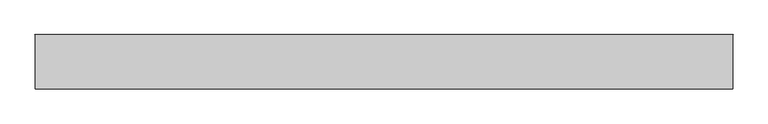
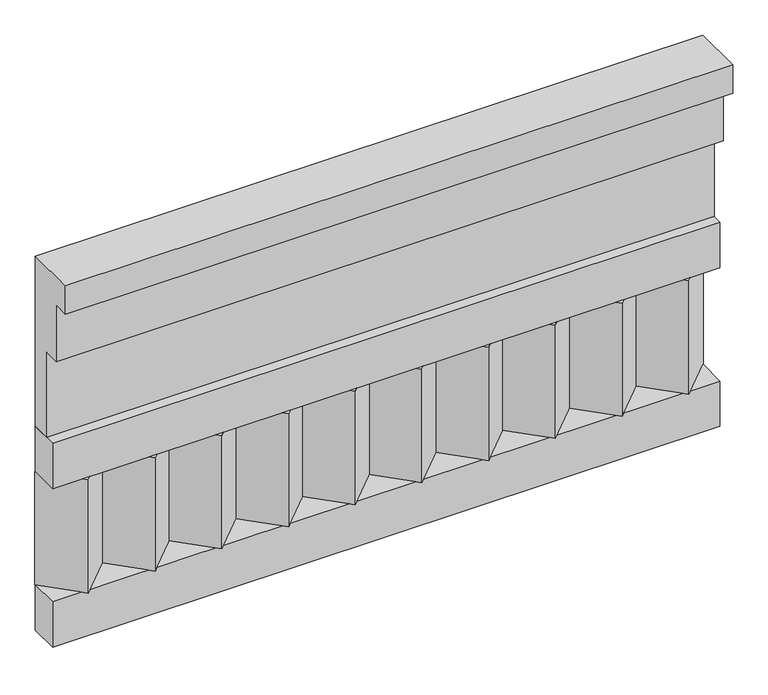
"""IFC4 building model written with IfcOpenShell, lengths in millimetres: railing geometry."""

from ifc_helpers import new_model, si_unit, frame, origin, place, context, project, spatial, polyline, outline, extrude, source, transform, mapped, element, save


def railing_8d532c6d(model_context):
    return source(origin(), model_context, "Body", "SweptSolid", [
        extrude(outline(polyline([(-16816.8920513, 18500.0), (-16816.8920513, 18050.0), (-16866.8920513, 18050.0), (-16866.8920513, 18275.0), (-16906.8920513, 18275.0), (-16906.8920513, 18425.0), (-16946.8920513, 18425.0), (-16946.8920513, 18500.0), (-16816.8920513, 18500.0)])), frame((36460.0112841, 0.0, 0.0), z_axis=(1.0, 0.0, 0.0), x_axis=(0.0, 1.0, 0.0)), (0.0, 0.0, 1.0), 1670.0),
        extrude(outline(polyline([(36460.0112841, -16891.8920513), (36460.0112841, -16816.8920513), (38130.0112841, -16816.8920513), (38130.0112841, -16891.8920513), (36460.0112841, -16891.8920513)])), frame((0.0, 0.0, 17930.0), z_axis=(0.0, 0.0, 1.0), x_axis=(1.0, 0.0, 0.0)), (0.0, 0.0, 1.0), 120.0),
        extrude(outline(polyline([(36460.0112841, -16891.8920513), (36460.0112841, -16816.8920513), (38130.0112841, -16816.8920513), (38130.0112841, -16891.8920513), (36460.0112841, -16891.8920513)])), frame((0.0, 0.0, 17510.0), z_axis=(0.0, 0.0, 1.0), x_axis=(1.0, 0.0, 0.0)), (0.0, 0.0, 1.0), 120.0),
        extrude(outline(polyline([(38046.5112841, -16901.7448651), (37961.6584704, -16816.8920513), (38131.3640978, -16816.8920513), (38046.5112841, -16901.7448651)])), frame((0.0, 0.0, 17630.0), z_axis=(0.0, 0.0, 1.0), x_axis=(1.0, 0.0, 0.0)), (0.0, 0.0, 1.0), 300.0),
        extrude(outline(polyline([(37879.5112841, -16901.7448651), (37794.6584704, -16816.8920513), (37964.3640978, -16816.8920513), (37879.5112841, -16901.7448651)])), frame((0.0, 0.0, 17630.0), z_axis=(0.0, 0.0, 1.0), x_axis=(1.0, 0.0, 0.0)), (0.0, 0.0, 1.0), 300.0),
        extrude(outline(polyline([(37712.5112841, -16901.7448651), (37627.6584704, -16816.8920513), (37797.3640978, -16816.8920513), (37712.5112841, -16901.7448651)])), frame((0.0, 0.0, 17630.0), z_axis=(0.0, 0.0, 1.0), x_axis=(1.0, 0.0, 0.0)), (0.0, 0.0, 1.0), 300.0),
        extrude(outline(polyline([(37545.5112841, -16901.7448651), (37460.6584704, -16816.8920513), (37630.3640978, -16816.8920513), (37545.5112841, -16901.7448651)])), frame((0.0, 0.0, 17630.0), z_axis=(0.0, 0.0, 1.0), x_axis=(1.0, 0.0, 0.0)), (0.0, 0.0, 1.0), 300.0),
        extrude(outline(polyline([(37378.5112841, -16901.7448651), (37293.6584704, -16816.8920513), (37463.3640978, -16816.8920513), (37378.5112841, -16901.7448651)])), frame((0.0, 0.0, 17630.0), z_axis=(0.0, 0.0, 1.0), x_axis=(1.0, 0.0, 0.0)), (0.0, 0.0, 1.0), 300.0),
        extrude(outline(polyline([(37211.5112841, -16901.7448651), (37126.6584704, -16816.8920513), (37296.3640978, -16816.8920513), (37211.5112841, -16901.7448651)])), frame((0.0, 0.0, 17630.0), z_axis=(0.0, 0.0, 1.0), x_axis=(1.0, 0.0, 0.0)), (0.0, 0.0, 1.0), 300.0),
        extrude(outline(polyline([(37044.5112841, -16901.7448651), (36959.6584704, -16816.8920513), (37129.3640978, -16816.8920513), (37044.5112841, -16901.7448651)])), frame((0.0, 0.0, 17630.0), z_axis=(0.0, 0.0, 1.0), x_axis=(1.0, 0.0, 0.0)), (0.0, 0.0, 1.0), 300.0),
        extrude(outline(polyline([(36877.5112841, -16901.7448651), (36792.6584704, -16816.8920513), (36962.3640978, -16816.8920513), (36877.5112841, -16901.7448651)])), frame((0.0, 0.0, 17630.0), z_axis=(0.0, 0.0, 1.0), x_axis=(1.0, 0.0, 0.0)), (0.0, 0.0, 1.0), 300.0),
        extrude(outline(polyline([(36710.5112841, -16901.7448651), (36625.6584704, -16816.8920513), (36795.3640978, -16816.8920513), (36710.5112841, -16901.7448651)])), frame((0.0, 0.0, 17630.0), z_axis=(0.0, 0.0, 1.0), x_axis=(1.0, 0.0, 0.0)), (0.0, 0.0, 1.0), 300.0),
        extrude(outline(polyline([(36543.5112841, -16901.7448651), (36458.6584704, -16816.8920513), (36628.3640978, -16816.8920513), (36543.5112841, -16901.7448651)])), frame((0.0, 0.0, 17630.0), z_axis=(0.0, 0.0, 1.0), x_axis=(1.0, 0.0, 0.0)), (0.0, 0.0, 1.0), 300.0),
    ])


if __name__ == "__main__":
    model = new_model("IFC4")
    model_context = context("Model", 3, world=origin())
    ifc_project = project(units=[si_unit("LENGTHUNIT", "METRE", prefix="MILLI")], contexts=[model_context])
    site = spatial("IfcSite", under=ifc_project)
    building = spatial("IfcBuilding", under=site)
    placement = place(None, origin())
    railing_shape = railing_8d532c6d(model_context)
    element("IfcRailing", 1, at=placement, inside=building, context=model_context, shape_type="MappedRepresentation", body=[
        mapped(railing_shape, transform((0.0, 0.0, 0.0), x_axis=(1.0, 0.0, 0.0), y_axis=(0.0, 1.0, 0.0), z_axis=(0.0, 0.0, 1.0))),
    ])
    save(model, "model.ifc")
